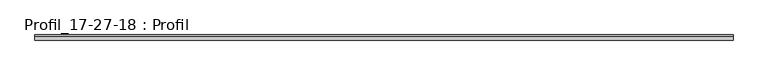
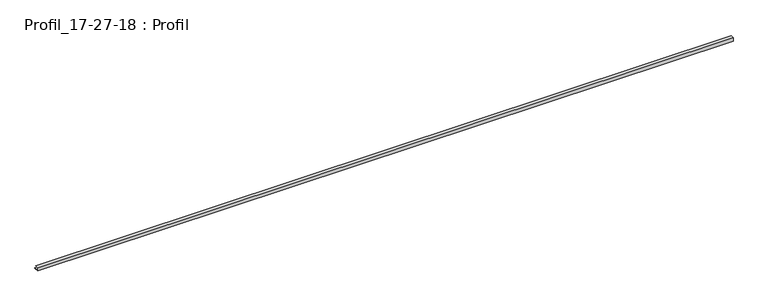
"""IFC4 building model written with IfcOpenShell, lengths in millimetres: proxy geometry, Profil_17-27-18 : Profil."""

from ifc_helpers import new_model, si_unit, frame, origin, place, context, project, spatial, polyline, outline, extrude, source, transform, mapped, element, save


def profil_17_27_18_profil_cbc96d36(model_context):
    return source(origin(), model_context, "Body", "SweptSolid", [
        extrude(outline(polyline([(0.0, 19.0), (18.0, 19.0), (18.0, 18.2), (0.8, 18.2), (0.8, 0.8), (27.0, 0.8), (27.0, 0.0), (0.0, 0.0), (0.0, 19.0)])), frame((0.0, 0.0, 0.0), z_axis=(1.0, 0.0, 0.0), x_axis=(0.0, 1.0, 0.0)), (0.0, 0.0, 1.0), 3700.0),
    ])


if __name__ == "__main__":
    model = new_model("IFC4")
    model_context = context("Model", 3, world=origin())
    ifc_project = project(units=[si_unit("LENGTHUNIT", "METRE", prefix="MILLI")], contexts=[model_context])
    site = spatial("IfcSite", under=ifc_project)
    building = spatial("IfcBuilding", under=site)
    placement = place(None, origin())
    profil_17_27_18_profil_shape = profil_17_27_18_profil_cbc96d36(model_context)
    element("IfcBuildingElementProxy", 1, Name="Profil_17-27-18 : Profil", ObjectType="Profil_17-27-18 : Profil", at=placement, inside=building, context=model_context, shape_type="MappedRepresentation", body=[
        mapped(profil_17_27_18_profil_shape, transform((0.0, 0.0, 0.0), x_axis=(1.0, 0.0, 0.0), y_axis=(0.0, 1.0, 0.0), z_axis=(0.0, 0.0, 1.0))),
    ])
    save(model, "model.ifc")
